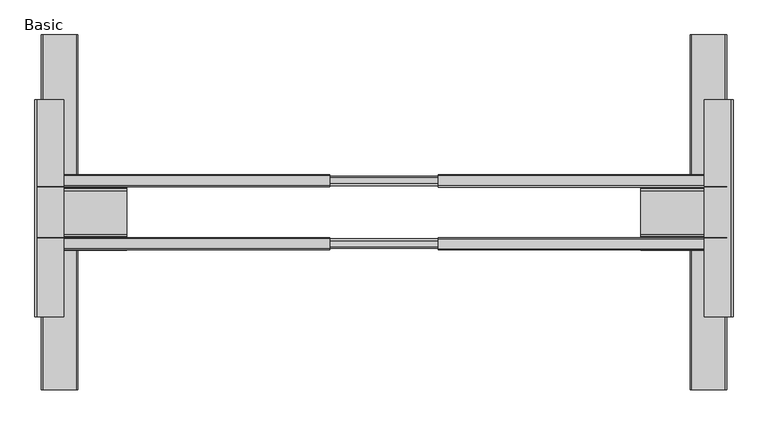
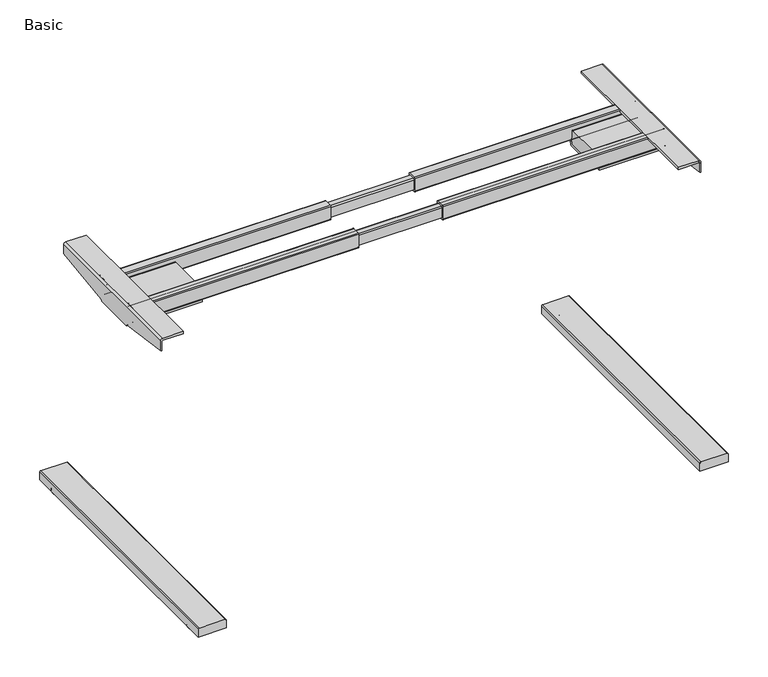
"""IFC4 building model written with IfcOpenShell, lengths in millimetres: furniture geometry, Basic."""

from ifc_helpers import new_model, si_unit, point, frame, frame_2d, origin, place, context, project, spatial, polyline, circle_curve, ellipse_curve, trimmed, segment, composite_curve, outline, extrude, source, transform, mapped, element, save
from ifc_brep_helpers import plane_surface, cylinder_surface, revolved_surface, advanced_brep


def basic_323ac923(model_context):
    return source(origin(), model_context, "Body", "SolidModel", [
        advanced_brep(
        [(497.0697971, 245.0991628, 0.0), (497.0697971, 184.183484, 0.0), (497.0697971, 214.6413234, 0.0), (497.0697971, 247.1333657, 2.034203), (497.0697971, 182.149281, 2.034203), (497.0697971, 247.1333657, 5.0424709), (497.0697971, 182.149281, 5.0424709), (497.0697971, 245.1140755, 7.0617612), (497.0697971, 184.1685712, 7.0617612), (497.0697971, 222.1910808, 9.288914), (497.0697971, 207.0915659, 9.288914), (497.0697971, 214.6413234, 9.288914)],
        [
            (0, 1, circle_curve(frame((497.0697971, 214.6413234, 0.0), z_axis=(0.0, 0.0, -1.0), x_axis=(0.0, -1.0, 0.0)), 30.4578394)),
            (1, 2),
            (2, 0),
            (1, 0, circle_curve(frame((497.0697971, 214.6413234, 0.0), z_axis=(0.0, 0.0, -1.0), x_axis=(0.0, -1.0, 0.0)), 30.4578394)),
            (3, 4, circle_curve(frame((497.0697971, 214.6413234, 2.034203), z_axis=(0.0, 0.0, -1.0), x_axis=(0.0, -1.0, 0.0)), 32.4920424)),
            (4, 1, circle_curve(frame((497.0697971, 184.183484, 2.034203), z_axis=(1.0, 0.0, 0.0), x_axis=(0.0, 1.0, 0.0)), 2.034203)),
            (0, 3, circle_curve(frame((497.0697971, 245.0991628, 2.034203), z_axis=(1.0, 0.0, 0.0), x_axis=(0.0, -1.0, 0.0)), 2.034203)),
            (4, 3, circle_curve(frame((497.0697971, 214.6413234, 2.034203), z_axis=(0.0, 0.0, -1.0), x_axis=(0.0, -1.0, 0.0)), 32.4920424)),
            (5, 6, circle_curve(frame((497.0697971, 214.6413234, 5.0424709), z_axis=(0.0, 0.0, -1.0), x_axis=(0.0, -1.0, 0.0)), 32.4920424)),
            (6, 4),
            (3, 5),
            (6, 5, circle_curve(frame((497.0697971, 214.6413234, 5.0424709), z_axis=(0.0, 0.0, -1.0), x_axis=(0.0, -1.0, 0.0)), 32.4920424)),
            (7, 8, circle_curve(frame((497.0697971, 214.6413234, 7.0617612), z_axis=(0.0, 0.0, -1.0), x_axis=(0.0, -1.0, 0.0)), 30.4727521)),
            (8, 6, circle_curve(frame((497.0697971, 184.1685712, 5.0424709), z_axis=(1.0, 0.0, 0.0), x_axis=(0.0, 1.0, 0.0)), 2.0192902)),
            (5, 7, circle_curve(frame((497.0697971, 245.1140755, 5.0424709), z_axis=(1.0, 0.0, 0.0), x_axis=(0.0, -1.0, 0.0)), 2.0192902)),
            (8, 7, circle_curve(frame((497.0697971, 214.6413234, 7.0617612), z_axis=(0.0, 0.0, -1.0), x_axis=(0.0, -1.0, 0.0)), 30.4727521)),
            (9, 10, circle_curve(frame((497.0697971, 214.6413234, 9.288914), z_axis=(0.0, 0.0, -1.0), x_axis=(0.0, -1.0, 0.0)), 7.5497574)),
            (10, 8),
            (7, 9),
            (10, 9, circle_curve(frame((497.0697971, 214.6413234, 9.288914), z_axis=(0.0, 0.0, -1.0), x_axis=(0.0, -1.0, 0.0)), 7.5497574)),
            (11, 10),
            (9, 11),
        ],
        [
            plane_surface(frame((497.0697971, 214.6413234, 0.0), z_axis=(0.0, 0.0, -1.0), x_axis=(0.0, -1.0, 0.0))),
            revolved_surface(trimmed(ellipse_curve(frame((497.0697971, 184.183484, 2.034203), z_axis=(-1.0, 0.0, 0.0), x_axis=(0.0, 1.0, 0.0)), 2.034203, 2.034203), [point((497.0697971, 184.183484, 0.0))], [point((497.0697971, 182.149281, 2.034203))], True, "CARTESIAN"), (497.0697971, 214.6413234, 13.4607192), (0.0, 0.0, 1.0)),
            cylinder_surface(frame((497.0697971, 214.6413234, 13.4607192), z_axis=(0.0, 0.0, 1.0), x_axis=(0.0, -1.0, 0.0)), 32.4920424),
            revolved_surface(trimmed(ellipse_curve(frame((497.0697971, 184.1685712, 5.0424709), z_axis=(-1.0, 0.0, 0.0), x_axis=(0.0, 1.0, 0.0)), 2.0192902, 2.0192902), [point((497.0697971, 182.149281, 5.0424709))], [point((497.0697971, 184.1685712, 7.0617612))], True, "CARTESIAN"), (497.0697971, 214.6413234, 13.4607192), (0.0, 0.0, 1.0)),
            revolved_surface(polyline([(497.0697971, 184.1685712, 7.0617612), (497.0697971, 207.0915659, 9.288914)]), (497.0697971, 214.6413234, 13.4607192), (0.0, 0.0, 1.0)),
            plane_surface(frame((497.0697971, 214.6413234, 9.288914), z_axis=(0.0, 0.0, 1.0), x_axis=(0.0, -1.0, 0.0))),
        ],
        [
            (0, [[1, 2, 3]]),
            (0, [[4, -3, -2]]),
            (1, [[5, 6, -1, 7]]),
            (1, [[8, -7, -4, -6]]),
            (2, [[9, 10, -5, 11]]),
            (2, [[12, -11, -8, -10]]),
            (3, [[13, 14, -9, 15]]),
            (3, [[16, -15, -12, -14]]),
            (4, [[17, 18, -13, 19]]),
            (4, [[20, -19, -16, -18]]),
            (5, [[21, -17, 22]]),
            (5, [[-22, -20, -21]]),
        ],
    ),
        advanced_brep(
        [(-841.5102029, -440.1973334, 0.0), (-841.5102029, -379.2816546, 0.0), (-841.5102029, -409.739494, 0.0), (-841.5102029, -442.2315363, 2.034203), (-841.5102029, -377.2474516, 2.034203), (-841.5102029, -442.2315363, 5.0424709), (-841.5102029, -377.2474516, 5.0424709), (-841.5102029, -440.2122461, 7.0617612), (-841.5102029, -379.2667418, 7.0617612), (-841.5102029, -417.2892514, 9.288914), (-841.5102029, -402.1897365, 9.288914), (-841.5102029, -409.739494, 9.288914)],
        [
            (0, 1, circle_curve(frame((-841.5102029, -409.739494, 0.0), z_axis=(0.0, 0.0, -1.0), x_axis=(0.0, 1.0, 0.0)), 30.4578394)),
            (1, 2),
            (2, 0),
            (1, 0, circle_curve(frame((-841.5102029, -409.739494, 0.0), z_axis=(0.0, 0.0, -1.0), x_axis=(0.0, 1.0, 0.0)), 30.4578394)),
            (3, 4, circle_curve(frame((-841.5102029, -409.739494, 2.034203), z_axis=(0.0, 0.0, -1.0), x_axis=(0.0, 1.0, 0.0)), 32.4920424)),
            (4, 1, circle_curve(frame((-841.5102029, -379.2816546, 2.034203), z_axis=(-1.0, 0.0, 0.0), x_axis=(0.0, 1.0, 0.0)), 2.034203)),
            (0, 3, circle_curve(frame((-841.5102029, -440.1973334, 2.034203), z_axis=(-1.0, 0.0, 0.0), x_axis=(0.0, -1.0, 0.0)), 2.034203)),
            (4, 3, circle_curve(frame((-841.5102029, -409.739494, 2.034203), z_axis=(0.0, 0.0, -1.0), x_axis=(0.0, 1.0, 0.0)), 32.4920424)),
            (5, 6, circle_curve(frame((-841.5102029, -409.739494, 5.0424709), z_axis=(0.0, 0.0, -1.0), x_axis=(0.0, 1.0, 0.0)), 32.4920424)),
            (6, 4),
            (3, 5),
            (6, 5, circle_curve(frame((-841.5102029, -409.739494, 5.0424709), z_axis=(0.0, 0.0, -1.0), x_axis=(0.0, 1.0, 0.0)), 32.4920424)),
            (7, 8, circle_curve(frame((-841.5102029, -409.739494, 7.0617612), z_axis=(0.0, 0.0, -1.0), x_axis=(0.0, 1.0, 0.0)), 30.4727521)),
            (8, 6, circle_curve(frame((-841.5102029, -379.2667418, 5.0424709), z_axis=(-1.0, 0.0, 0.0), x_axis=(0.0, 1.0, 0.0)), 2.0192902)),
            (5, 7, circle_curve(frame((-841.5102029, -440.2122461, 5.0424709), z_axis=(-1.0, 0.0, 0.0), x_axis=(0.0, -1.0, 0.0)), 2.0192902)),
            (8, 7, circle_curve(frame((-841.5102029, -409.739494, 7.0617612), z_axis=(0.0, 0.0, -1.0), x_axis=(0.0, 1.0, 0.0)), 30.4727521)),
            (9, 10, circle_curve(frame((-841.5102029, -409.739494, 9.288914), z_axis=(0.0, 0.0, -1.0), x_axis=(0.0, 1.0, 0.0)), 7.5497574)),
            (10, 8),
            (7, 9),
            (10, 9, circle_curve(frame((-841.5102029, -409.739494, 9.288914), z_axis=(0.0, 0.0, -1.0), x_axis=(0.0, 1.0, 0.0)), 7.5497574)),
            (11, 10),
            (9, 11),
        ],
        [
            plane_surface(frame((-841.5102029, -409.739494, 0.0), z_axis=(0.0, 0.0, -1.0), x_axis=(0.0, 1.0, 0.0))),
            revolved_surface(trimmed(ellipse_curve(frame((-841.5102029, -379.2816546, 2.034203), z_axis=(1.0, 0.0, 0.0), x_axis=(0.0, 1.0, 0.0)), 2.034203, 2.034203), [point((-841.5102029, -379.2816546, 0.0))], [point((-841.5102029, -377.2474516, 2.034203))], True, "CARTESIAN"), (-841.5102029, -409.739494, 13.4607192), (0.0, 0.0, 1.0)),
            cylinder_surface(frame((-841.5102029, -409.739494, 13.4607192), z_axis=(0.0, 0.0, 1.0), x_axis=(0.0, 1.0, 0.0)), 32.4920424),
            revolved_surface(trimmed(ellipse_curve(frame((-841.5102029, -379.2667418, 5.0424709), z_axis=(1.0, 0.0, 0.0), x_axis=(0.0, 1.0, 0.0)), 2.0192902, 2.0192902), [point((-841.5102029, -377.2474516, 5.0424709))], [point((-841.5102029, -379.2667418, 7.0617612))], True, "CARTESIAN"), (-841.5102029, -409.739494, 13.4607192), (0.0, 0.0, 1.0)),
            revolved_surface(polyline([(-841.5102029, -379.2667418, 7.0617612), (-841.5102029, -402.1897365, 9.288914)]), (-841.5102029, -409.739494, 13.4607192), (0.0, 0.0, 1.0)),
            plane_surface(frame((-841.5102029, -409.739494, 9.288914), z_axis=(0.0, 0.0, 1.0), x_axis=(0.0, 1.0, 0.0))),
        ],
        [
            (0, [[1, 2, 3]]),
            (0, [[4, -3, -2]]),
            (1, [[5, 6, -1, 7]]),
            (1, [[8, -7, -4, -6]]),
            (2, [[9, 10, -5, 11]]),
            (2, [[12, -11, -8, -10]]),
            (3, [[13, 14, -9, 15]]),
            (3, [[16, -15, -12, -14]]),
            (4, [[17, 18, -13, 19]]),
            (4, [[20, -19, -16, -18]]),
            (5, [[21, -17, 22]]),
            (5, [[-22, -20, -21]]),
        ],
    ),
        advanced_brep(
        [(544.3274973, -158.2325705, 706.7459466), (546.8411807, -158.2325705, 706.7459466), (546.8411807, -313.1690409, 728.4817161), (544.3274973, -313.1690409, 728.4817161), (544.3274973, -154.5901123, 703.1034885), (546.8411807, -154.5901123, 703.1034885), (544.3274973, -37.2242924, 706.7459466), (546.8411807, -37.2242924, 706.7459466), (546.8411807, -40.8667505, 703.1034885), (544.3274973, -40.8667505, 703.1034885), (544.3274973, 133.8680014, 730.7481886), (546.8411807, 133.8680014, 730.7481886), (546.8411807, -313.1690409, 757.1424174), (541.5835981, -313.1690409, 762.4), (487.1744146, -313.1690409, 762.4), (487.1744146, -313.1690409, 756.3136941), (541.5835981, -313.1690409, 756.3136941), (544.3274973, -313.1690409, 753.5697948), (544.3274973, 133.8680014, 753.5697948), (541.5835981, 133.8680014, 756.3136941), (487.1744146, 133.8680014, 756.3136941), (487.1744146, 133.8680014, 762.4), (541.5835981, 133.8680014, 762.4), (546.8411807, 133.8680014, 757.1424174)],
        [
            (0, 1),
            (1, 2),
            (2, 3),
            (3, 0),
            (0, 4),
            (4, 5),
            (5, 1),
            (6, 7),
            (7, 8),
            (8, 9),
            (9, 6),
            (6, 10),
            (10, 11),
            (11, 7),
            (12, 13, circle_curve(frame((541.5835981, -313.1690409, 757.1424174), z_axis=(0.0, -1.0, 0.0), x_axis=(-1.0, 0.0, 0.0)), 5.2575826)),
            (13, 14),
            (14, 15),
            (15, 16),
            (16, 17, circle_curve(frame((541.5835981, -313.1690409, 753.5697948), z_axis=(0.0, 1.0, 0.0), x_axis=(-1.0, 0.0, 0.0)), 2.7438992)),
            (17, 3),
            (2, 12),
            (18, 19, circle_curve(frame((541.5835981, 133.8680014, 753.5697948), z_axis=(0.0, -1.0, 0.0), x_axis=(-1.0, 0.0, 0.0)), 2.7438992)),
            (19, 20),
            (20, 21),
            (21, 22),
            (22, 23, circle_curve(frame((541.5835981, 133.8680014, 757.1424174), z_axis=(0.0, 1.0, 0.0), x_axis=(-1.0, 0.0, 0.0)), 5.2575826)),
            (23, 11),
            (10, 18),
            (17, 18),
            (9, 4),
            (16, 19),
            (15, 20),
            (14, 21),
            (13, 22),
            (12, 23),
            (5, 8),
        ],
        [
            plane_surface(frame((907.5476074, -158.2325705, 706.7459466), z_axis=(0.0, -0.1389278259496406, -0.9903025089218478), x_axis=(-1.0, 0.0, 0.0))),
            plane_surface(frame((907.5476074, -152.8866238, 701.4), z_axis=(0.0, -0.707106781184361, -0.707106781188734), x_axis=(-1.0, 0.0, 0.0))),
            plane_surface(frame((907.5476074, -37.2242924, 706.7459466), z_axis=(0.0, 0.7071067811846643, -0.7071067811884308), x_axis=(-1.0, 0.0, 0.0))),
            plane_surface(frame((907.5476074, 263.4840215, 748.9317958), z_axis=(0.0, 0.13892782594959605, -0.9903025089218541), x_axis=(-1.0, 0.0, 0.0))),
            plane_surface(frame((546.8411807, -313.1690409, 703.1034885), z_axis=(0.0, -1.0, 0.0), x_axis=(1.0, 0.0, 0.0))),
            plane_surface(frame((546.8411807, 133.8680014, 703.1034885), z_axis=(0.0, 1.0, 0.0), x_axis=(-1.0, 0.0, 0.0))),
            plane_surface(frame((544.3274973, -313.1690409, 753.5697948), z_axis=(-1.0, 0.0, 0.0), x_axis=(0.0, 1.0, 0.0))),
            revolved_surface(polyline([(538.8396989, 133.8680014, 753.5697948), (538.8396989, -313.1690409, 753.5697948)]), (541.5835981, 133.8680014, 753.5697948), (0.0, 1.0, 0.0)),
            plane_surface(frame((487.1744146, -313.1690409, 756.3136941), z_axis=(1.709108808340531e-12, 0.0, -1.0), x_axis=(0.0, 1.0, 0.0))),
            plane_surface(frame((487.1744146, -313.1690409, 762.4), z_axis=(-1.0, 0.0, 0.0), x_axis=(0.0, 1.0, 0.0))),
            plane_surface(frame((541.5835981, -313.1690409, 762.4), z_axis=(0.0, 0.0, 1.0), x_axis=(0.0, 1.0, 0.0))),
            cylinder_surface(frame((541.5835981, 133.8680014, 757.1424174), z_axis=(0.0, -1.0, 0.0), x_axis=(-1.0, 0.0, 0.0)), 5.2575826),
            plane_surface(frame((546.8411807, -313.1690409, 703.1034885), z_axis=(1.0, 0.0, 0.0), x_axis=(0.0, 1.0, 0.0))),
            plane_surface(frame((544.3274973, -313.1690409, 703.1034885), z_axis=(0.0, 0.0, -1.0), x_axis=(0.0, 1.0, 0.0))),
        ],
        [
            (0, [[1, 2, 3, 4]]),
            (1, [[-1, 5, 6, 7]]),
            (2, [[8, 9, 10, 11]]),
            (3, [[-8, 12, 13, 14]]),
            (4, [[15, 16, 17, 18, 19, 20, -3, 21]]),
            (5, [[22, 23, 24, 25, 26, 27, -13, 28]]),
            (6, [[29, -28, -12, -11, 30, -5, -4, -20]]),
            (7, [[-19, 31, -22, -29]]),
            (8, [[-18, 32, -23, -31]]),
            (9, [[-17, 33, -24, -32]]),
            (10, [[-16, 34, -25, -33]]),
            (11, [[-15, 35, -26, -34]]),
            (12, [[-35, -21, -2, -7, 36, -9, -14, -27]]),
            (13, [[-36, -6, -30, -10]]),
        ],
    ),
        advanced_brep(
        [(-888.7231206, -313.1690409, 753.5697948), (-885.9792213, -313.1690409, 756.3136941), (-831.3419689, -313.1690409, 756.3136941), (-831.3419689, -313.1690409, 762.4), (-885.7645206, -313.1690409, 762.4), (-891.0221032, -313.1690409, 757.1424174), (-891.0221032, -313.1690409, 728.4817161), (-888.7231206, -313.1690409, 728.4817161), (-891.0221032, 133.8680014, 757.1424174), (-885.7645206, 133.8680014, 762.4), (-831.3419689, 133.8680014, 762.4), (-831.3419689, 133.8680014, 756.3136941), (-885.9792213, 133.8680014, 756.3136941), (-888.7231206, 133.8680014, 753.5697948), (-888.7231206, 133.8680014, 730.7481886), (-891.0221032, 133.8680014, 730.7481886), (-888.7231206, -158.2325705, 706.7459466), (-888.7231206, -154.5901123, 703.1034885), (-888.7231206, -40.8667505, 703.1034885), (-888.7231206, -37.2242924, 706.7459466), (-891.0221032, -37.2242924, 706.7459466), (-891.0221032, -40.8667505, 703.1034885), (-891.0221032, -154.5901123, 703.1034885), (-891.0221032, -158.2325705, 706.7459466)],
        [
            (0, 1, circle_curve(frame((-885.9792213, -313.1690409, 753.5697948), z_axis=(0.0, 1.0, 0.0), x_axis=(1.0, 0.0, 0.0)), 2.7438992)),
            (1, 2),
            (2, 3),
            (3, 4),
            (4, 5, circle_curve(frame((-885.7645206, -313.1690409, 757.1424174), z_axis=(0.0, -1.0, 0.0), x_axis=(1.0, 0.0, 0.0)), 5.2575826)),
            (5, 6),
            (6, 7),
            (7, 0),
            (8, 9, circle_curve(frame((-885.7645206, 133.8680014, 757.1424174), z_axis=(0.0, 1.0, 0.0), x_axis=(1.0, 0.0, 0.0)), 5.2575826)),
            (9, 10),
            (10, 11),
            (11, 12),
            (12, 13, circle_curve(frame((-885.9792213, 133.8680014, 753.5697948), z_axis=(0.0, -1.0, 0.0), x_axis=(1.0, 0.0, 0.0)), 2.7438992)),
            (13, 14),
            (14, 15),
            (15, 8),
            (13, 0),
            (7, 16),
            (16, 17),
            (17, 18),
            (18, 19),
            (19, 14),
            (12, 1),
            (11, 2),
            (10, 3),
            (9, 4),
            (8, 5),
            (15, 20),
            (20, 21),
            (21, 22),
            (22, 23),
            (23, 6),
            (17, 22),
            (21, 18),
            (23, 16),
            (20, 19),
        ],
        [
            plane_surface(frame((-888.7231206, -313.1690409, 753.5697948), z_axis=(0.0, -1.0, 0.0), x_axis=(0.0, 0.0, 1.0))),
            plane_surface(frame((-888.7231206, 133.8680014, 753.5697948), z_axis=(0.0, 1.0, 0.0), x_axis=(0.0, 0.0, -1.0))),
            plane_surface(frame((-888.7231206, -313.1690409, 703.1034885), z_axis=(1.0, 0.0, 0.0), x_axis=(0.0, 1.0, 0.0))),
            revolved_surface(polyline([(-883.2353221, 133.8680014, 753.5697948), (-883.2353221, -313.1690409, 753.5697948)]), (-885.9792213, 133.8680014, 753.5697948), (0.0, 1.0, 0.0)),
            plane_surface(frame((-885.9792213, -313.1690409, 756.3136941), z_axis=(0.0, 0.0, -1.0), x_axis=(0.0, 1.0, 0.0))),
            plane_surface(frame((-831.3419689, -313.1690409, 756.3136941), z_axis=(1.0, 0.0, 0.0), x_axis=(0.0, 1.0, 0.0))),
            plane_surface(frame((-831.3419689, -313.1690409, 762.4), z_axis=(0.0, 0.0, 1.0), x_axis=(0.0, 1.0, 0.0))),
            cylinder_surface(frame((-885.7645206, 133.8680014, 757.1424174), z_axis=(0.0, -1.0, 0.0), x_axis=(1.0, 0.0, 0.0)), 5.2575826),
            plane_surface(frame((-891.0221032, -313.1690409, 757.1424174), z_axis=(-1.0, 0.0, 0.0), x_axis=(0.0, 1.0, 0.0))),
            plane_surface(frame((-891.0221032, -313.1690409, 703.1034885), z_axis=(0.0, 0.0, -1.0), x_axis=(0.0, 1.0, 0.0))),
            plane_surface(frame((-977.145801, -458.9408843, 748.9317958), z_axis=(0.0, -0.13892782594963868, -0.990302508921848), x_axis=(1.0, 0.0, 0.0))),
            plane_surface(frame((-977.145801, -158.2325705, 706.7459466), z_axis=(0.0, -0.7071067811865677, -0.7071067811865274), x_axis=(1.0, 0.0, 0.0))),
            plane_surface(frame((-977.145801, -42.570239, 701.4), z_axis=(0.0, 0.7071067811875446, -0.7071067811855506), x_axis=(1.0, 0.0, 0.0))),
            plane_surface(frame((-977.145801, -37.2242924, 706.7459466), z_axis=(0.0, 0.13892782594957945, -0.9903025089218563), x_axis=(1.0, 0.0, 0.0))),
        ],
        [
            (0, [[1, 2, 3, 4, 5, 6, 7, 8]]),
            (1, [[9, 10, 11, 12, 13, 14, 15, 16]]),
            (2, [[17, -8, 18, 19, 20, 21, 22, -14]]),
            (3, [[-1, -17, -13, 23]]),
            (4, [[-2, -23, -12, 24]]),
            (5, [[-3, -24, -11, 25]]),
            (6, [[-4, -25, -10, 26]]),
            (7, [[-5, -26, -9, 27]]),
            (8, [[-27, -16, 28, 29, 30, 31, 32, -6]]),
            (9, [[-20, 33, -30, 34]]),
            (10, [[35, -18, -7, -32]]),
            (11, [[-35, -31, -33, -19]]),
            (12, [[36, -21, -34, -29]]),
            (13, [[-36, -28, -15, -22]]),
        ],
    ),
        extrude(outline(composite_curve([segment(polyline([(7.9650038, 458.6637802), (7.9650038, 533.7381849), (30.0204767, 533.7381849)]), True, "CONTINUOUS"), segment(trimmed(circle_curve(frame_2d((30.0204767, 530.7575777)), 2.9806072), [point((30.0204767, 533.7381849))], [point((33.0010839, 530.7575777))], False, "CARTESIAN"), True, "CONTINUOUS"), segment(polyline([(33.0010839, 530.7575777), (33.0010839, 461.8342027)]), True, "CONTINUOUS"), segment(trimmed(circle_curve(frame_2d((29.8306613, 461.8342027)), 3.1704226), [point((33.0010839, 461.8342027))], [point((29.8306613, 458.6637802))], False, "CARTESIAN"), True, "CONTINUOUS"), segment(polyline([(29.8306613, 458.6637802), (7.9650038, 458.6637802)]), True, "CONTINUOUS")], self_intersect=False)), frame((0.0, -462.8010853, 0.0), z_axis=(0.0, 1.0, 0.0), x_axis=(0.0, 0.0, 1.0)), (0.0, 0.0, 1.0), 730.504),
        extrude(outline(composite_curve([segment(polyline([(7.9650038, -803.104186), (29.8306613, -803.104186)]), True, "CONTINUOUS"), segment(trimmed(circle_curve(frame_2d((29.8306613, -806.2746086)), 3.1704226), [point((29.8306613, -803.104186))], [point((33.0010839, -806.2746086))], False, "CARTESIAN"), True, "CONTINUOUS"), segment(polyline([(33.0010839, -806.2746086), (33.0010839, -875.1979836)]), True, "CONTINUOUS"), segment(trimmed(circle_curve(frame_2d((30.0204767, -875.1979836)), 2.9806072), [point((33.0010839, -875.1979836))], [point((30.0204767, -878.1785908))], False, "CARTESIAN"), True, "CONTINUOUS"), segment(polyline([(30.0204767, -878.1785908), (7.9650038, -878.1785908), (7.9650038, -803.104186)]), True, "CONTINUOUS")], self_intersect=False)), frame((0.0, -462.8010853, 0.0), z_axis=(0.0, 1.0, 0.0), x_axis=(0.0, 0.0, 1.0)), (0.0, 0.0, 1.0), 730.504),
        extrude(outline(composite_curve([segment(trimmed(circle_curve(frame_2d((-22.6846088, 724.4247064)), 2.54), [point((-20.1446088, 724.4247064))], [point((-22.6846088, 721.8847064))], False, "CARTESIAN"), True, "CONTINUOUS"), segment(polyline([(-22.6846088, 721.8847064), (-43.0735084, 721.8847064)]), True, "CONTINUOUS"), segment(trimmed(circle_curve(frame_2d((-43.0735084, 724.3558068)), 2.4711004), [point((-43.0735084, 721.8847064))], [point((-45.5446088, 724.3558068))], False, "CARTESIAN"), True, "CONTINUOUS"), segment(polyline([(-45.5446088, 724.3558068), (-45.5446088, 759.897389)]), True, "CONTINUOUS"), segment(trimmed(circle_curve(frame_2d((-43.0419978, 759.897389)), 2.502611), [point((-45.5446088, 759.897389))], [point((-43.0419978, 762.4))], False, "CARTESIAN"), True, "CONTINUOUS"), segment(polyline([(-43.0419978, 762.4), (-22.5036523, 762.4)]), True, "CONTINUOUS"), segment(trimmed(circle_curve(frame_2d((-22.5036523, 760.0409564)), 2.3590436), [point((-22.5036523, 762.4))], [point((-20.1446088, 760.0409564))], False, "CARTESIAN"), True, "CONTINUOUS"), segment(polyline([(-20.1446088, 760.0409564), (-20.1446088, 724.4247064)]), True, "CONTINUOUS")], self_intersect=False)), frame((-60.4602029, 0.0, 0.0), z_axis=(1.0, 0.0, 0.0), x_axis=(0.0, 1.0, 0.0)), (0.0, 0.0, 1.0), 594.1983879),
        extrude(outline(composite_curve([segment(polyline([(-175.0303912, 724.4247064), (-175.0303912, 760.0409564)]), True, "CONTINUOUS"), segment(trimmed(circle_curve(frame_2d((-172.6713476, 760.0409564)), 2.3590436), [point((-175.0303912, 760.0409564))], [point((-172.6713476, 762.4))], False, "CARTESIAN"), True, "CONTINUOUS"), segment(polyline([(-172.6713476, 762.4), (-152.1330021, 762.4)]), True, "CONTINUOUS"), segment(trimmed(circle_curve(frame_2d((-152.1330021, 759.897389)), 2.502611), [point((-152.1330021, 762.4))], [point((-149.6303912, 759.897389))], False, "CARTESIAN"), True, "CONTINUOUS"), segment(polyline([(-149.6303912, 759.897389), (-149.6303912, 724.3558068)]), True, "CONTINUOUS"), segment(trimmed(circle_curve(frame_2d((-152.1014916, 724.3558068)), 2.4711004), [point((-149.6303912, 724.3558068))], [point((-152.1014916, 721.8847064))], False, "CARTESIAN"), True, "CONTINUOUS"), segment(polyline([(-152.1014916, 721.8847064), (-172.4903912, 721.8847064)]), True, "CONTINUOUS"), segment(trimmed(circle_curve(frame_2d((-172.4903912, 724.4247064)), 2.54), [point((-172.4903912, 721.8847064))], [point((-175.0303912, 724.4247064))], False, "CARTESIAN"), True, "CONTINUOUS")], self_intersect=False)), frame((-60.4602029, 0.0, 0.0), z_axis=(1.0, 0.0, 0.0), x_axis=(0.0, 1.0, 0.0)), (0.0, 0.0, 1.0), 594.1983879),
        extrude(outline(composite_curve([segment(polyline([(-41.1510404, 716.7696117), (-42.2051171, 711.022656)]), True, "CONTINUOUS"), segment(trimmed(circle_curve(frame_2d((-47.3092607, 711.9588315)), 5.1892877), [point((-42.2051171, 711.022656))], [point((-47.3092607, 706.7695438))], False, "CARTESIAN"), True, "CONTINUOUS"), segment(polyline([(-47.3092607, 706.7695438), (-148.1476021, 706.7695438)]), True, "CONTINUOUS"), segment(trimmed(circle_curve(frame_2d((-148.1476021, 711.9588315)), 5.1892877), [point((-148.1476021, 706.7695438))], [point((-153.2517457, 711.022656))], False, "CARTESIAN"), True, "CONTINUOUS"), segment(polyline([(-153.2517457, 711.022656), (-154.3058224, 716.7696117), (-175.3056356, 716.7696117), (-175.3056356, 721.8847064), (-154.8075486, 721.8847064)]), True, "CONTINUOUS"), segment(trimmed(circle_curve(frame_2d((-154.8075486, 716.3079909)), 5.5767155), [point((-154.8075486, 721.8847064))], [point((-149.3222025, 717.3133434))], False, "CARTESIAN"), True, "CONTINUOUS"), segment(polyline([(-149.3222025, 717.3133434), (-148.3061517, 711.7696262), (-47.7075617, 711.7696262), (-46.6915109, 717.3133434)]), True, "CONTINUOUS"), segment(trimmed(circle_curve(frame_2d((-41.2061648, 716.3079909)), 5.5767155), [point((-46.6915109, 717.3133434))], [point((-41.2061648, 721.8847064))], False, "CARTESIAN"), True, "CONTINUOUS"), segment(polyline([(-41.2061648, 721.8847064), (-20.3067633, 721.8847064), (-20.3067633, 716.7696117), (-41.1510404, 716.7696117)]), True, "CONTINUOUS")], self_intersect=False)), frame((356.9531648, 0.0, 0.0), z_axis=(1.0, 0.0, 0.0), x_axis=(0.0, 1.0, 0.0)), (0.0, 0.0, 1.0), 184.6304333),
        extrude(outline(composite_curve([segment(polyline([(-49.146017, 750.0927128), (-47.8070711, 711.7696262), (-147.8056669, 711.7696262), (-146.4667677, 750.0927082)]), True, "CONTINUOUS"), segment(trimmed(circle_curve(frame_2d((-142.6590908, 749.9596788)), 3.81), [point((-146.4667677, 750.0927082))], [point((-142.6590908, 753.7696788))], False, "CARTESIAN"), True, "CONTINUOUS"), segment(polyline([(-142.6590908, 753.7696788), (-52.9536937, 753.7696788)]), True, "CONTINUOUS"), segment(trimmed(circle_curve(frame_2d((-52.9536937, 749.9596788)), 3.81), [point((-52.9536937, 753.7696788))], [point((-49.146017, 750.0927128))], False, "CARTESIAN"), True, "CONTINUOUS")], self_intersect=False)), frame((356.9531648, 0.0, 0.0), z_axis=(1.0, 0.0, 0.0), x_axis=(0.0, 1.0, 0.0)), (0.0, 0.0, 1.0), 184.6304333),
        extrude(outline(composite_curve([segment(polyline([(-49.146017, 750.0927128), (-47.8070711, 711.7696262), (-147.8056669, 711.7696262), (-146.4667677, 750.0927082)]), True, "CONTINUOUS"), segment(trimmed(circle_curve(frame_2d((-142.6590908, 749.9596788)), 3.81), [point((-146.4667677, 750.0927082))], [point((-142.6590908, 753.7696788))], False, "CARTESIAN"), True, "CONTINUOUS"), segment(polyline([(-142.6590908, 753.7696788), (-52.9536937, 753.7696788)]), True, "CONTINUOUS"), segment(trimmed(circle_curve(frame_2d((-52.9536937, 749.9596788)), 3.81), [point((-52.9536937, 753.7696788))], [point((-49.146017, 750.0927128))], False, "CARTESIAN"), True, "CONTINUOUS")], self_intersect=False)), frame((-886.024004, 0.0, 0.0), z_axis=(1.0, 0.0, 0.0), x_axis=(0.0, 1.0, 0.0)), (0.0, 0.0, 1.0), 184.6304333),
        extrude(outline(composite_curve([segment(trimmed(circle_curve(frame_2d((-22.6461941, 724.4247064)), 2.54), [point((-20.1061941, 724.4247064))], [point((-22.6461941, 721.8847064))], False, "CARTESIAN"), True, "CONTINUOUS"), segment(polyline([(-22.6461941, 721.8847064), (-43.0350937, 721.8847064)]), True, "CONTINUOUS"), segment(trimmed(circle_curve(frame_2d((-43.0350937, 724.3558068)), 2.4711004), [point((-43.0350937, 721.8847064))], [point((-45.5061941, 724.3558068))], False, "CARTESIAN"), True, "CONTINUOUS"), segment(polyline([(-45.5061941, 724.3558068), (-45.5061941, 759.897389)]), True, "CONTINUOUS"), segment(trimmed(circle_curve(frame_2d((-43.0035831, 759.897389)), 2.502611), [point((-45.5061941, 759.897389))], [point((-43.0035831, 762.4))], False, "CARTESIAN"), True, "CONTINUOUS"), segment(polyline([(-43.0035831, 762.4), (-22.4652377, 762.4)]), True, "CONTINUOUS"), segment(trimmed(circle_curve(frame_2d((-22.4652377, 760.0409564)), 2.3590436), [point((-22.4652377, 762.4))], [point((-20.1061941, 760.0409564))], False, "CARTESIAN"), True, "CONTINUOUS"), segment(polyline([(-20.1061941, 760.0409564), (-20.1061941, 724.4247064)]), True, "CONTINUOUS")], self_intersect=False)), frame((-886.024004, 0.0, 0.0), z_axis=(1.0, 0.0, 0.0), x_axis=(0.0, 1.0, 0.0)), (0.0, 0.0, 1.0), 602.043801),
        extrude(outline(composite_curve([segment(polyline([(-174.9919765, 724.4247064), (-174.9919765, 760.0409564)]), True, "CONTINUOUS"), segment(trimmed(circle_curve(frame_2d((-172.6329329, 760.0409564)), 2.3590436), [point((-174.9919765, 760.0409564))], [point((-172.6329329, 762.4))], False, "CARTESIAN"), True, "CONTINUOUS"), segment(polyline([(-172.6329329, 762.4), (-152.0945875, 762.4)]), True, "CONTINUOUS"), segment(trimmed(circle_curve(frame_2d((-152.0945875, 759.897389)), 2.502611), [point((-152.0945875, 762.4))], [point((-149.5919765, 759.897389))], False, "CARTESIAN"), True, "CONTINUOUS"), segment(polyline([(-149.5919765, 759.897389), (-149.5919765, 724.3558068)]), True, "CONTINUOUS"), segment(trimmed(circle_curve(frame_2d((-152.0630769, 724.3558068)), 2.4711004), [point((-149.5919765, 724.3558068))], [point((-152.0630769, 721.8847064))], False, "CARTESIAN"), True, "CONTINUOUS"), segment(polyline([(-152.0630769, 721.8847064), (-172.4519765, 721.8847064)]), True, "CONTINUOUS"), segment(trimmed(circle_curve(frame_2d((-172.4519765, 724.4247064)), 2.54), [point((-172.4519765, 721.8847064))], [point((-174.9919765, 724.4247064))], False, "CARTESIAN"), True, "CONTINUOUS")], self_intersect=False)), frame((-886.024004, 0.0, 0.0), z_axis=(1.0, 0.0, 0.0), x_axis=(0.0, 1.0, 0.0)), (0.0, 0.0, 1.0), 602.043801),
        extrude(outline(composite_curve([segment(polyline([(-25.1062849, 727.2695037), (-25.1062849, 755.3113189)]), True, "CONTINUOUS"), segment(trimmed(circle_curve(frame_2d((-25.6644682, 755.3113189)), 0.5581833), [point((-25.1062849, 755.3113189))], [point((-25.6644682, 755.8695022))], True, "CARTESIAN"), True, "CONTINUOUS"), segment(polyline([(-25.6644682, 755.8695022), (-39.9437245, 755.8695022)]), True, "CONTINUOUS"), segment(trimmed(circle_curve(frame_2d((-39.9437245, 755.3073353)), 0.5621669), [point((-39.9437245, 755.8695022))], [point((-40.5058914, 755.3073353))], True, "CARTESIAN"), True, "CONTINUOUS"), segment(polyline([(-40.5058914, 755.3073353), (-40.5058914, 727.2695037), (-42.5060407, 727.2695037), (-42.5060407, 754.6257358)]), True, "CONTINUOUS"), segment(trimmed(circle_curve(frame_2d((-39.2622994, 754.6257358)), 3.2437412), [point((-42.5060407, 754.6257358))], [point((-39.2622994, 757.869477))], False, "CARTESIAN"), True, "CONTINUOUS"), segment(polyline([(-39.2622994, 757.869477), (-26.0748444, 757.869477)]), True, "CONTINUOUS"), segment(trimmed(circle_curve(frame_2d((-26.0748444, 754.9010338)), 2.9684433), [point((-26.0748444, 757.869477))], [point((-23.1064012, 754.9010338))], False, "CARTESIAN"), True, "CONTINUOUS"), segment(polyline([(-23.1064012, 754.9010338), (-23.1064012, 727.2695037), (-25.1062849, 727.2695037)]), True, "CONTINUOUS")], self_intersect=False)), frame((-886.024004, 0.0, 0.0), z_axis=(1.0, 0.0, 0.0), x_axis=(0.0, 1.0, 0.0)), (0.0, 0.0, 1.0), 1427.6076021),
        extrude(outline(composite_curve([segment(polyline([(-169.9918857, 727.2695037), (-171.9917694, 727.2695037), (-171.9917694, 754.9010338)]), True, "CONTINUOUS"), segment(trimmed(circle_curve(frame_2d((-169.0233262, 754.9010338)), 2.9684433), [point((-171.9917694, 754.9010338))], [point((-169.0233262, 757.869477))], False, "CARTESIAN"), True, "CONTINUOUS"), segment(polyline([(-169.0233262, 757.869477), (-155.8358712, 757.869477)]), True, "CONTINUOUS"), segment(trimmed(circle_curve(frame_2d((-155.8358712, 754.6257358)), 3.2437412), [point((-155.8358712, 757.869477))], [point((-152.5921299, 754.6257358))], False, "CARTESIAN"), True, "CONTINUOUS"), segment(polyline([(-152.5921299, 754.6257358), (-152.5921299, 727.2695037), (-154.5922792, 727.2695037), (-154.5922792, 755.3073353)]), True, "CONTINUOUS"), segment(trimmed(circle_curve(frame_2d((-155.1544461, 755.3073353)), 0.5621669), [point((-154.5922792, 755.3073353))], [point((-155.1544461, 755.8695022))], True, "CARTESIAN"), True, "CONTINUOUS"), segment(polyline([(-155.1544461, 755.8695022), (-169.4337024, 755.8695022)]), True, "CONTINUOUS"), segment(trimmed(circle_curve(frame_2d((-169.4337024, 755.3113189)), 0.5581833), [point((-169.4337024, 755.8695022))], [point((-169.9918857, 755.3113189))], True, "CARTESIAN"), True, "CONTINUOUS"), segment(polyline([(-169.9918857, 755.3113189), (-169.9918857, 727.2695037)]), True, "CONTINUOUS")], self_intersect=False)), frame((-886.024004, 0.0, 0.0), z_axis=(1.0, 0.0, 0.0), x_axis=(0.0, 1.0, 0.0)), (0.0, 0.0, 1.0), 1427.6076021),
        advanced_brep(
        [(-841.5102029, 214.6413234, 0.0), (-841.5102029, 184.183484, 0.0), (-841.5102029, 245.0991628, 0.0), (-841.5102029, 182.149281, 2.034203), (-841.5102029, 247.1333657, 2.034203), (-841.5102029, 182.149281, 5.0424709), (-841.5102029, 247.1333657, 5.0424709), (-841.5102029, 184.1685712, 7.0617612), (-841.5102029, 245.1140755, 7.0617612), (-841.5102029, 207.0915659, 9.288914), (-841.5102029, 222.1910808, 9.288914), (-841.5102029, 214.6413234, 9.288914)],
        [
            (0, 1),
            (1, 2, circle_curve(frame((-841.5102029, 214.6413234, 0.0), z_axis=(0.0, 0.0, -1.0), x_axis=(0.0, -1.0, 0.0)), 30.4578394)),
            (2, 0),
            (2, 1, circle_curve(frame((-841.5102029, 214.6413234, 0.0), z_axis=(0.0, 0.0, -1.0), x_axis=(0.0, -1.0, 0.0)), 30.4578394)),
            (1, 3, circle_curve(frame((-841.5102029, 184.183484, 2.034203), z_axis=(-1.0, 0.0, 0.0), x_axis=(0.0, -1.0, 0.0)), 2.034203)),
            (3, 4, circle_curve(frame((-841.5102029, 214.6413234, 2.034203), z_axis=(0.0, 0.0, -1.0), x_axis=(0.0, -1.0, 0.0)), 32.4920424)),
            (4, 2, circle_curve(frame((-841.5102029, 245.0991628, 2.034203), z_axis=(-1.0, 0.0, 0.0), x_axis=(0.0, 1.0, 0.0)), 2.034203)),
            (4, 3, circle_curve(frame((-841.5102029, 214.6413234, 2.034203), z_axis=(0.0, 0.0, -1.0), x_axis=(0.0, -1.0, 0.0)), 32.4920424)),
            (3, 5),
            (5, 6, circle_curve(frame((-841.5102029, 214.6413234, 5.0424709), z_axis=(0.0, 0.0, -1.0), x_axis=(0.0, -1.0, 0.0)), 32.4920424)),
            (6, 4),
            (6, 5, circle_curve(frame((-841.5102029, 214.6413234, 5.0424709), z_axis=(0.0, 0.0, -1.0), x_axis=(0.0, -1.0, 0.0)), 32.4920424)),
            (5, 7, circle_curve(frame((-841.5102029, 184.1685712, 5.0424709), z_axis=(-1.0, 0.0, 0.0), x_axis=(0.0, -1.0, 0.0)), 2.0192902)),
            (7, 8, circle_curve(frame((-841.5102029, 214.6413234, 7.0617612), z_axis=(0.0, 0.0, -1.0), x_axis=(0.0, -1.0, 0.0)), 30.4727521)),
            (8, 6, circle_curve(frame((-841.5102029, 245.1140755, 5.0424709), z_axis=(-1.0, 0.0, 0.0), x_axis=(0.0, 1.0, 0.0)), 2.0192902)),
            (8, 7, circle_curve(frame((-841.5102029, 214.6413234, 7.0617612), z_axis=(0.0, 0.0, -1.0), x_axis=(0.0, -1.0, 0.0)), 30.4727521)),
            (7, 9),
            (9, 10, circle_curve(frame((-841.5102029, 214.6413234, 9.288914), z_axis=(0.0, 0.0, -1.0), x_axis=(0.0, -1.0, 0.0)), 7.5497574)),
            (10, 8),
            (10, 9, circle_curve(frame((-841.5102029, 214.6413234, 9.288914), z_axis=(0.0, 0.0, -1.0), x_axis=(0.0, -1.0, 0.0)), 7.5497574)),
            (9, 11),
            (11, 10),
        ],
        [
            plane_surface(frame((-841.5102029, 214.6413234, 0.0), z_axis=(0.0, 0.0, -1.0), x_axis=(0.0, -1.0, 0.0))),
            revolved_surface(trimmed(ellipse_curve(frame((-841.5102029, 184.183484, 2.034203), z_axis=(1.0, 0.0, 0.0), x_axis=(0.0, -1.0, 0.0)), 2.034203, 2.034203), [point((-841.5102029, 182.149281, 2.034203))], [point((-841.5102029, 184.183484, 0.0))], True, "CARTESIAN"), (-841.5102029, 214.6413234, 13.4607192), (0.0, 0.0, -1.0)),
            cylinder_surface(frame((-841.5102029, 214.6413234, 13.4607192), z_axis=(0.0, 0.0, -1.0), x_axis=(0.0, -1.0, 0.0)), 32.4920424),
            revolved_surface(trimmed(ellipse_curve(frame((-841.5102029, 184.1685712, 5.0424709), z_axis=(1.0, 0.0, 0.0), x_axis=(0.0, -1.0, 0.0)), 2.0192902, 2.0192902), [point((-841.5102029, 184.1685712, 7.0617612))], [point((-841.5102029, 182.149281, 5.0424709))], True, "CARTESIAN"), (-841.5102029, 214.6413234, 13.4607192), (0.0, 0.0, -1.0)),
            revolved_surface(polyline([(-841.5102029, 207.0915659, 9.288914), (-841.5102029, 184.1685712, 7.0617612)]), (-841.5102029, 214.6413234, 13.4607192), (0.0, 0.0, -1.0)),
            plane_surface(frame((-841.5102029, 214.6413234, 9.288914), z_axis=(0.0, 0.0, 1.0), x_axis=(0.0, -1.0, 0.0))),
        ],
        [
            (0, [[1, 2, 3]]),
            (0, [[-3, 4, -1]]),
            (1, [[-2, 5, 6, 7]]),
            (1, [[-4, -7, 8, -5]]),
            (2, [[-6, 9, 10, 11]]),
            (2, [[-8, -11, 12, -9]]),
            (3, [[-10, 13, 14, 15]]),
            (3, [[-12, -15, 16, -13]]),
            (4, [[-14, 17, 18, 19]]),
            (4, [[-16, -19, 20, -17]]),
            (5, [[-18, 21, 22]]),
            (5, [[-20, -22, -21]]),
        ],
    ),
        extrude(outline(composite_curve([segment(polyline([(-41.1510404, 716.7696117), (-42.2051171, 711.022656)]), True, "CONTINUOUS"), segment(trimmed(circle_curve(frame_2d((-47.3092607, 711.9588315)), 5.1892877), [point((-42.2051171, 711.022656))], [point((-47.3092607, 706.7695438))], False, "CARTESIAN"), True, "CONTINUOUS"), segment(polyline([(-47.3092607, 706.7695438), (-148.1476021, 706.7695438)]), True, "CONTINUOUS"), segment(trimmed(circle_curve(frame_2d((-148.1476021, 711.9588315)), 5.1892877), [point((-148.1476021, 706.7695438))], [point((-153.2517457, 711.022656))], False, "CARTESIAN"), True, "CONTINUOUS"), segment(polyline([(-153.2517457, 711.022656), (-154.3058224, 716.7696117), (-175.3056356, 716.7696117), (-175.3056356, 721.8847064), (-154.8075486, 721.8847064)]), True, "CONTINUOUS"), segment(trimmed(circle_curve(frame_2d((-154.8075486, 716.3079909)), 5.5767155), [point((-154.8075486, 721.8847064))], [point((-149.3222025, 717.3133434))], False, "CARTESIAN"), True, "CONTINUOUS"), segment(polyline([(-149.3222025, 717.3133434), (-148.3061517, 711.7696262), (-47.7075617, 711.7696262), (-46.6915109, 717.3133434)]), True, "CONTINUOUS"), segment(trimmed(circle_curve(frame_2d((-41.2061648, 716.3079909)), 5.5767155), [point((-46.6915109, 717.3133434))], [point((-41.2061648, 721.8847064))], False, "CARTESIAN"), True, "CONTINUOUS"), segment(polyline([(-41.2061648, 721.8847064), (-20.3067633, 721.8847064), (-20.3067633, 716.7696117), (-41.1510404, 716.7696117)]), True, "CONTINUOUS")], self_intersect=False)), frame((-886.024004, 0.0, 0.0), z_axis=(1.0, 0.0, 0.0), x_axis=(0.0, 1.0, 0.0)), (0.0, 0.0, 1.0), 184.6304333),
    ])


if __name__ == "__main__":
    model = new_model("IFC4")
    model_context = context("Model", 3, world=origin())
    ifc_project = project(units=[si_unit("LENGTHUNIT", "METRE", prefix="MILLI")], contexts=[model_context])
    site = spatial("IfcSite", under=ifc_project)
    building = spatial("IfcBuilding", under=site)
    placement = place(None, origin())
    basic_shape = basic_323ac923(model_context)
    element("IfcFurniture", 1, ObjectType="Basic", at=placement, inside=building, context=model_context, shape_type="MappedRepresentation", body=[
        mapped(basic_shape, transform((0.0, 0.0, 0.0), x_axis=(1.0, 0.0, 0.0), y_axis=(0.0, 1.0, 0.0), z_axis=(0.0, 0.0, 1.0))),
    ])
    save(model, "model.ifc")
